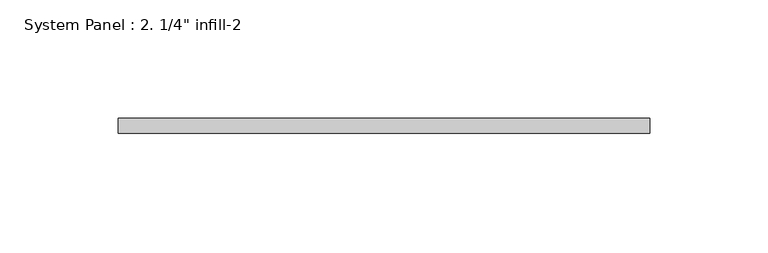
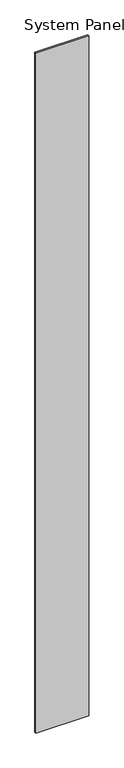
"""IFC4 building model written with IfcOpenShell, lengths in millimetres: plate geometry."""

from ifc_helpers import new_model, si_unit, origin, origin_with_axes, place, context, project, spatial, polyline, outline, extrude, source, transform, mapped, element, save


def plate_21a2fc66(model_context):
    return source(origin(), model_context, "Body", "SweptSolid", [
        extrude(outline(polyline([(112.5402391, -6.35), (-112.5402391, -6.35), (-112.5402391, 0.0), (112.5402391, 0.0), (112.5402391, -6.35)])), origin_with_axes(), (0.0, 0.0, 1.0), 3048.0),
    ])


if __name__ == "__main__":
    model = new_model("IFC4")
    model_context = context("Model", 3, world=origin())
    ifc_project = project(units=[si_unit("LENGTHUNIT", "METRE", prefix="MILLI")], contexts=[model_context])
    site = spatial("IfcSite", under=ifc_project)
    building = spatial("IfcBuilding", under=site)
    placement = place(None, origin())
    plate_shape = plate_21a2fc66(model_context)
    element("IfcPlate", 1, ObjectType="System Panel : 2. 1/4\" infill-2", at=placement, inside=building, context=model_context, shape_type="MappedRepresentation", body=[
        mapped(plate_shape, transform((0.0, 0.0, 0.0), x_axis=(1.0, 0.0, 0.0), y_axis=(0.0, 1.0, 0.0), z_axis=(0.0, 0.0, 1.0))),
    ])
    save(model, "model.ifc")
